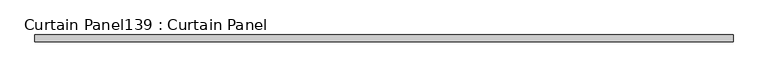
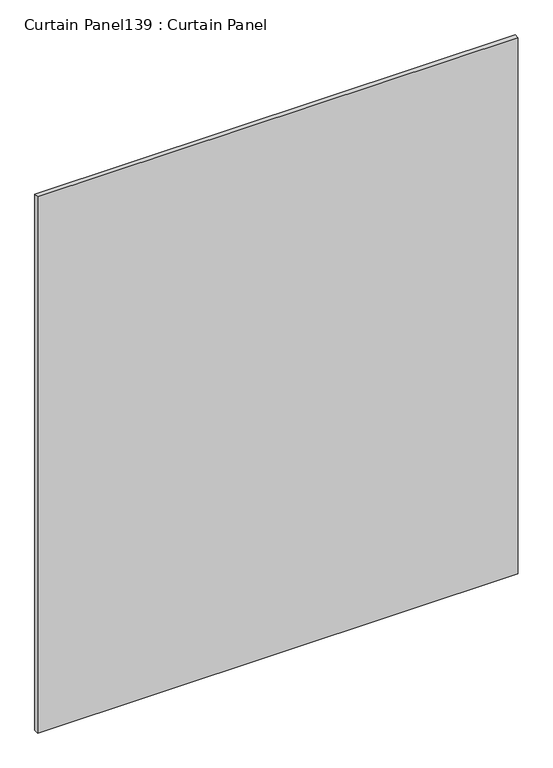
"""IFC4 building model written with IfcOpenShell, lengths in millimetres: plate geometry, Curtain Panel139 : Curtain Panel."""

from ifc_helpers import new_model, si_unit, frame, origin, place, context, project, spatial, polyline, outline, extrude, source, transform, mapped, element, save


def curtain_panel139_curtain_panel_6444f102(model_context):
    return source(origin(), model_context, "Body", "SweptSolid", [
        extrude(outline(polyline([(333742.3425793, 2059.793529), (331157.8925793, 2059.793529), (331157.8925793, 2085.193529), (333742.3425793, 2085.193529), (333742.3425793, 2059.793529)])), frame((0.0, 0.0, 5632.7163816), z_axis=(0.0, 0.0, 1.0), x_axis=(1.0, 0.0, 0.0)), (0.0, 0.0, 1.0), 3048.0),
    ])


if __name__ == "__main__":
    model = new_model("IFC4")
    model_context = context("Model", 3, world=origin())
    ifc_project = project(units=[si_unit("LENGTHUNIT", "METRE", prefix="MILLI")], contexts=[model_context])
    site = spatial("IfcSite", under=ifc_project)
    building = spatial("IfcBuilding", under=site)
    placement = place(None, origin())
    curtain_panel139_curtain_panel_shape = curtain_panel139_curtain_panel_6444f102(model_context)
    element("IfcPlate", 1, ObjectType="Curtain Panel139 : Curtain Panel", at=placement, inside=building, context=model_context, shape_type="MappedRepresentation", body=[
        mapped(curtain_panel139_curtain_panel_shape, transform((0.0, 0.0, 0.0), x_axis=(1.0, 0.0, 0.0), y_axis=(0.0, 1.0, 0.0), z_axis=(0.0, 0.0, 1.0))),
    ])
    save(model, "model.ifc")
